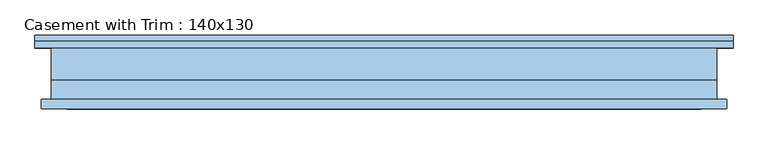
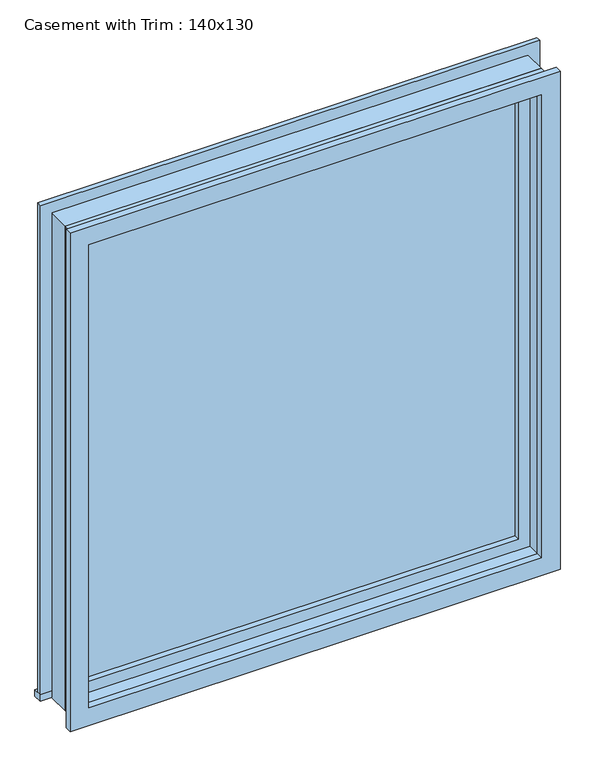
"""IFC4 building model written with IfcOpenShell, lengths in millimetres: window geometry, Casement with Trim : 140x130."""

from ifc_helpers import new_model, si_unit, frame, origin, place, context, project, spatial, polyline, outline, extrude, source, transform, mapped, element, save


def casement_with_trim_140x130_8bb6cca7(model_context):
    return source(origin(), model_context, "Body", "SweptSolid", [
        extrude(outline(polyline([(-681.75, 75.4), (681.75, 75.4), (681.75, 50.0), (-681.75, 50.0), (-681.75, 75.4)])), frame((0.0, 0.0, 914.4), z_axis=(0.0, 0.0, 1.0), x_axis=(1.0, 0.0, 0.0)), (0.0, 0.0, 1.0), 19.05),
        extrude(outline(polyline([(2295.35, -630.95), (2295.35, 630.95), (933.45, 630.95), (933.45, 681.75), (2346.15, 681.75), (2346.15, -681.75), (933.45, -681.75), (933.45, -630.95), (2295.35, -630.95)])), frame((0.0, 50.0, 0.0), z_axis=(0.0, 1.0, 0.0), x_axis=(0.0, 0.0, 1.0)), (0.0, 0.0, 1.0), 12.7),
        extrude(outline(polyline([(2333.45, 669.05), (2333.45, -669.05), (895.35, -669.05), (895.35, 669.05), (2333.45, 669.05)]), holes=[polyline([(2282.65, 618.25), (946.15, 618.25), (946.15, -618.25), (2282.65, -618.25), (2282.65, 618.25)])]), frame((0.0, -69.05, 0.0), z_axis=(0.0, 1.0, 0.0), x_axis=(0.0, 0.0, 1.0)), (0.0, 0.0, 1.0), 19.05),
        extrude(outline(polyline([(586.5, 2.375), (-586.5, 2.375), (-586.5, 15.075), (586.5, 15.075), (586.5, 2.375)])), frame((0.0, 0.0, 977.9), z_axis=(0.0, 0.0, 1.0), x_axis=(1.0, 0.0, 0.0)), (0.0, 0.0, 1.0), 1273.0),
        extrude(outline(polyline([(2295.35, -630.95), (933.45, -630.95), (933.45, 630.95), (2295.35, 630.95), (2295.35, -630.95)]), holes=[polyline([(2250.9, -586.5), (2250.9, 586.5), (977.9, 586.5), (977.9, -586.5), (2250.9, -586.5)])]), frame((0.0, -13.5, 0.0), z_axis=(0.0, 1.0, 0.0), x_axis=(0.0, 0.0, 1.0)), (0.0, 0.0, 1.0), 44.45),
        extrude(outline(polyline([(2314.4, -650.0), (914.4, -650.0), (914.4, 650.0), (2314.4, 650.0), (2314.4, -650.0)]), holes=[polyline([(2282.65, -618.25), (2282.65, 618.25), (946.15, 618.25), (946.15, -618.25), (2282.65, -618.25)])]), frame((0.0, -50.0, 0.0), z_axis=(0.0, 1.0, 0.0), x_axis=(0.0, 0.0, 1.0)), (0.0, 0.0, 1.0), 36.5),
        extrude(outline(polyline([(2314.4, 650.0), (2314.4, -650.0), (914.4, -650.0), (914.4, 650.0), (2314.4, 650.0)]), holes=[polyline([(2295.35, 630.95), (933.45, 630.95), (933.45, -630.95), (2295.35, -630.95), (2295.35, 630.95)])]), frame((0.0, -13.5, 0.0), z_axis=(0.0, 1.0, 0.0), x_axis=(0.0, 0.0, 1.0)), (0.0, 0.0, 1.0), 63.5),
    ])


if __name__ == "__main__":
    model = new_model("IFC4")
    model_context = context("Model", 3, world=origin())
    ifc_project = project(units=[si_unit("LENGTHUNIT", "METRE", prefix="MILLI")], contexts=[model_context])
    site = spatial("IfcSite", under=ifc_project)
    building = spatial("IfcBuilding", under=site)
    placement = place(None, origin())
    casement_with_trim_140x130_shape = casement_with_trim_140x130_8bb6cca7(model_context)
    element("IfcWindow", 1, ObjectType="Casement with Trim : 140x130", at=placement, inside=building, context=model_context, shape_type="MappedRepresentation", body=[
        mapped(casement_with_trim_140x130_shape, transform((0.0, 0.0, 0.0), x_axis=(1.0, 0.0, 0.0), y_axis=(0.0, 1.0, 0.0), z_axis=(0.0, 0.0, 1.0))),
    ])
    save(model, "model.ifc")
